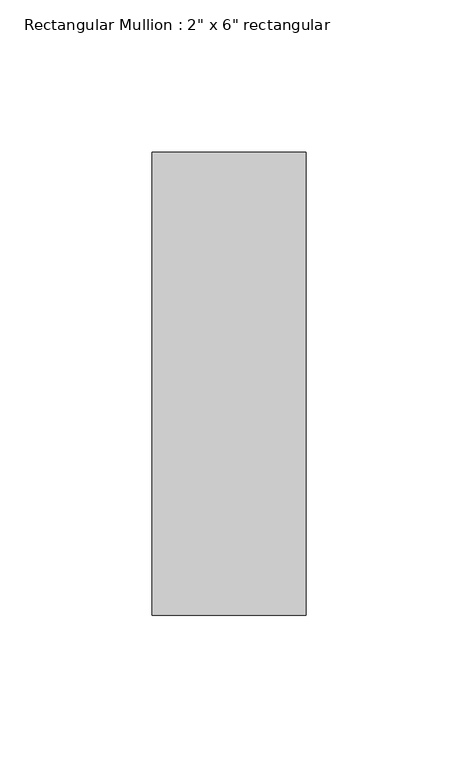
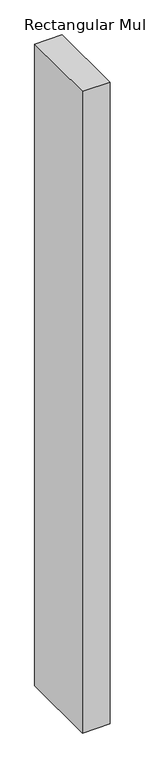
"""IFC4 building model written with IfcOpenShell, lengths in millimetres: member geometry."""

from ifc_helpers import new_model, si_unit, frame, origin, place, context, project, spatial, polyline, outline, extrude, source, transform, mapped, element, save


def member_4f192cc0(model_context):
    return source(origin(), model_context, "Body", "SweptSolid", [
        extrude(outline(polyline([(0.0, 76.2), (0.0, -76.2), (-50.8, -76.2), (-50.8, 76.2), (0.0, 76.2)])), frame((0.0, 0.0, -1252.2425341), z_axis=(0.0, 0.0, 1.0), x_axis=(1.0, 0.0, 0.0)), (0.0, 0.0, 1.0), 1252.2425341),
    ])


if __name__ == "__main__":
    model = new_model("IFC4")
    model_context = context("Model", 3, world=origin())
    ifc_project = project(units=[si_unit("LENGTHUNIT", "METRE", prefix="MILLI")], contexts=[model_context])
    site = spatial("IfcSite", under=ifc_project)
    building = spatial("IfcBuilding", under=site)
    placement = place(None, origin())
    member_shape = member_4f192cc0(model_context)
    element("IfcMember", 1, ObjectType="Rectangular Mullion : 2\" x 6\" rectangular", at=placement, inside=building, context=model_context, shape_type="MappedRepresentation", body=[
        mapped(member_shape, transform((0.0, 0.0, 0.0), x_axis=(1.0, 0.0, 0.0), y_axis=(0.0, 1.0, 0.0), z_axis=(0.0, 0.0, 1.0))),
    ])
    save(model, "model.ifc")
